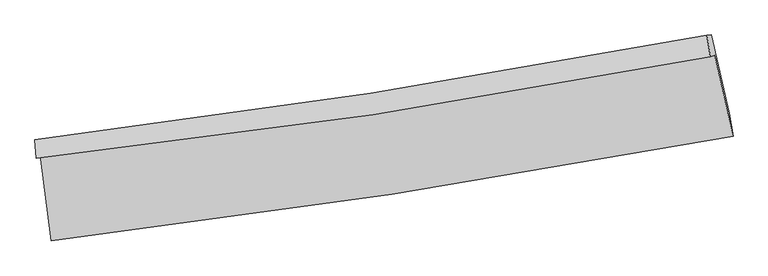
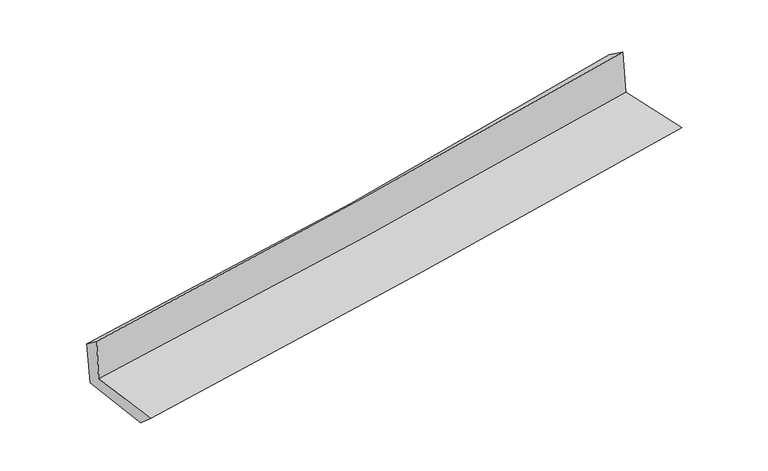
"""IFC4 building model written with IfcOpenShell, lengths in millimetres: proxy geometry."""

from ifc_helpers import new_model, si_unit, frame, origin, place, context, project, spatial, source, transform, mapped, element, save
from ifc_brep_helpers import plane_surface, spline_curve, spline_surface, advanced_brep


def generic_models_05300eee(model_context):
    return source(origin(), model_context, "Body", "AdvancedBrep", [
        advanced_brep(
        [(-2722.9471667, -1883.5995654, 1655.9656143), (-2631.4077742, -2567.4783009, 1643.7294745), (2817.8323893, -1732.5038162, 2111.4154879), (2670.7031306, -1083.8185875, 2117.7875864), (-2753.8005761, -1906.8499101, 2050.1345545), (2635.8335638, -1098.01472, 2536.974321), (-2763.8407608, -1760.8895339, 1942.4164462), (2607.7681231, -923.8812873, 2412.8517923), (-2729.6387125, -1759.9801444, 1543.6861476), (2642.7987677, -922.6936228, 2024.2456815), (-2639.4206038, -2424.5263703, 1517.0834608), (2785.8327829, -1547.6124189, 2003.8475713)],
        [
            (0, 1),
            (1, 2, spline_curve(3, [(-2631.4077742, -2567.4783009, 1643.7294745), (-1724.163228204, -2458.949007056, 1735.292751997), (-817.965591488, -2335.38869094, 1819.940184179), (998.462015755, -2057.268014267, 1975.929452861), (1908.677766581, -1902.50350194, 2047.177358574), (2817.8323893, -1732.5038162, 2111.4154879)], [4, 2, 4], [0.0, 8.997740091261232, 18.056377797435022])),
            (2, 3),
            (3, 0, spline_curve(3, [(2670.7031306, -1083.8185875, 2117.7875864), (1772.752697818, -1252.463104663, 2054.638918898), (872.783937069, -1403.599709691, 1984.425878654), (-925.126541163, -1669.958762807, 1830.390558626), (-1823.041212614, -1785.415817027, 1746.662941493), (-2722.9471667, -1883.5995654, 1655.9656143)], [4, 2, 4], [0.0, 9.05863770617379, 18.056377797435022])),
            (4, 0),
            (3, 5),
            (5, 4, spline_curve(3, [(2635.8335638, -1098.01472, 2536.974321), (1739.261937507, -1271.722849428, 2470.561093861), (840.31719565, -1426.142337022, 2396.622376772), (-956.259317126, -1695.495599294, 2234.241612664), (-1853.859289002, -1810.687841398, 2145.900408082), (-2753.8005761, -1906.8499101, 2050.1345545)], [4, 2, 4], [0.0, 9.008996518238787, 17.957429139508562])),
            (6, 4),
            (5, 7),
            (7, 6, spline_curve(3, [(2607.7681231, -923.8812873, 2412.8517923), (1715.723741063, -1094.072401036, 2324.95353768), (820.547240865, -1249.102929836, 2241.684808721), (-970.031024256, -1527.902526619, 2084.935062534), (-1865.390818626, -1651.874746895, 2011.392009341), (-2763.8407608, -1760.8895339, 1942.4164462)], [4, 2, 4], [0.0, 8.995737565065534, 17.931000367825643])),
            (8, 6),
            (7, 9),
            (9, 8, spline_curve(3, [(2642.7987677, -922.6936228, 2024.2456815), (1750.290236442, -1092.958876311, 1937.997890234), (854.812928383, -1248.04969594, 1854.702227215), (-936.039346637, -1526.9418657, 1694.555274187), (-1831.374531912, -1650.9465532, 1617.664426178), (-2729.6387125, -1759.9801444, 1543.6861476)], [4, 2, 4], [0.0, 8.984558993159032, 17.908718373101202])),
            (10, 8),
            (9, 11),
            (11, 10, spline_curve(3, [(2785.8327829, -1547.6124189, 2003.8475713), (1884.200961163, -1728.449392888, 1916.338688809), (979.746328958, -1892.132844018, 1831.894064949), (-828.709292509, -2184.207637014, 1669.680422646), (-1732.672455752, -2312.828836564, 1591.870342853), (-2639.4206038, -2424.5263703, 1517.0834608)], [4, 2, 4], [0.0, 9.034411511600945, 18.008088271350616])),
            (1, 10),
            (11, 2),
        ],
        [
            spline_surface(3, 3, [[(-2722.9471667, -1883.5995654, 1655.9656143), (-1823.041212592, -1785.415817078, 1746.662941423), (-925.126541084, -1669.958762786, 1830.390558611), (872.783936989, -1403.599709712, 1984.425878669), (1772.752697871, -1252.463104662, 2054.638918795), (2670.7031306, -1083.8185875, 2117.7875864)], [(-2692.434035851, -2111.559143907, 1651.886901035), (-1790.081884441, -2009.926880402, 1742.872878264), (-889.406224505, -1891.768738853, 1826.90710041), (914.676629868, -1621.489144554, 1981.593736747), (1818.061054116, -1469.143237109, 2052.151732056), (2719.746216834, -1300.046997052, 2115.66355356)], [(-2661.920905049, -2339.518722393, 1647.808187765), (-1757.122556339, -2234.437943704, 1739.082815099), (-853.685907932, -2113.57871491, 1823.423642274), (956.56932274, -1839.378579387, 1978.76159489), (1863.369410358, -1685.823369601, 2049.664545338), (2768.789303066, -1516.275406648, 2113.53952074)], [(-2631.4077742, -2567.4783009, 1643.7294745), (-1724.163228188, -2458.949007028, 1735.292751939), (-817.965591352, -2335.388690978, 1819.940184073), (998.462015618, -2057.268014229, 1975.929452967), (1908.677766603, -1902.503502048, 2047.177358598), (2817.8323893, -1732.5038162, 2111.4154879)]], [4, 4], [4, 2, 4], [0.0, 2.1974537846396127], [0.0, 8.997740091261232, 18.056377797435022]),
            spline_surface(3, 3, [[(-2753.8005761, -1906.8499101, 2050.1345545), (-1853.859288855, -1810.687841359, 2145.900407997), (-956.259317265, -1695.495599177, 2234.241612809), (840.317195789, -1426.14233714, 2396.622376627), (1739.261937533, -1271.722849286, 2470.561093975), (2635.8335638, -1098.01472, 2536.974321)], [(-2743.516106313, -1899.099795201, 1918.744907765), (-1843.586596781, -1802.263833266, 2012.821252471), (-945.88172521, -1686.983320369, 2099.624594753), (851.139442851, -1418.628127986, 2259.223543985), (1750.425524339, -1265.302934432, 2331.920368937), (2647.456752759, -1093.282675854, 2397.245409488)], [(-2733.231636487, -1891.349680299, 1787.355261035), (-1833.313904667, -1793.839825171, 1879.74209695), (-935.504133139, -1678.471041594, 1965.007576666), (861.961689928, -1411.113918866, 2121.824711312), (1761.589111066, -1258.883019517, 2193.279643834), (2659.079941641, -1088.550631646, 2257.516497912)], [(-2722.9471667, -1883.5995654, 1655.9656143), (-1823.041212592, -1785.415817078, 1746.662941423), (-925.126541084, -1669.958762786, 1830.390558611), (872.783936989, -1403.599709712, 1984.425878669), (1772.752697871, -1252.463104662, 2054.638918795), (2670.7031306, -1083.8185875, 2117.7875864)]], [4, 4], [4, 2, 4], [0.0, 1.3451255136644418], [0.0, 8.948432621269776, 17.957429139508562]),
            spline_surface(3, 3, [[(-2763.8407608, -1760.8895339, 1942.4164462), (-1865.390818712, -1651.874746898, 2011.392009282), (-970.031024228, -1527.902526671, 2084.935062457), (820.547240837, -1249.102929783, 2241.684808798), (1715.72374095, -1094.072401185, 2324.953537655), (2607.7681231, -923.8812873, 2412.8517923)], [(-2760.494032554, -1809.542992615, 1978.322482276), (-1861.546975414, -1704.812445034, 2056.228142163), (-965.440455231, -1583.766884167, 2134.703912582), (827.13722583, -1308.116065562, 2293.330664749), (1723.569806455, -1153.289217223, 2373.48938974), (2617.123269977, -981.925764871, 2454.225968512)], [(-2757.147304346, -1858.196451385, 2014.228518424), (-1857.703132153, -1757.750143223, 2101.064275116), (-960.849886262, -1639.631241682, 2184.472762683), (833.727210796, -1367.129201361, 2344.976520676), (1731.415872029, -1212.506033248, 2422.02524189), (2626.478416923, -1039.970242429, 2495.600144788)], [(-2753.8005761, -1906.8499101, 2050.1345545), (-1853.859288855, -1810.687841359, 2145.900407997), (-956.259317265, -1695.495599177, 2234.241612809), (840.317195789, -1426.14233714, 2396.622376627), (1739.261937533, -1271.722849286, 2470.561093975), (2635.8335638, -1098.01472, 2536.974321)]], [4, 4], [4, 2, 4], [0.0, 0.7562498465499145], [0.0, 8.935262802760109, 17.931000367825643]),
            spline_surface(3, 3, [[(-2729.6387125, -1759.9801444, 1543.6861476), (-1831.37453191, -1650.946553138, 1617.664426196), (-936.039346645, -1526.941865637, 1694.555274315), (854.81292839, -1248.049696003, 1854.702227086), (1750.29023654, -1092.958876313, 1937.997890231), (2642.7987677, -922.6936228, 2024.2456815)], [(-2741.039395282, -1760.28327424, 1676.596247149), (-1842.713294193, -1651.255951065, 1748.906953906), (-947.369905831, -1527.262085985, 1824.681870366), (843.391032547, -1248.400773933, 1983.696420994), (1738.768071353, -1093.330051261, 2066.983106037), (2631.121886176, -923.089510957, 2153.781051764)], [(-2752.440078018, -1760.58640406, 1809.506346651), (-1854.052056429, -1651.565348971, 1880.149481571), (-958.700465041, -1527.582306323, 1954.808466406), (831.96913668, -1248.751851853, 2112.690614891), (1727.245906137, -1093.701226237, 2195.968321849), (2619.445004624, -923.485399143, 2283.316422036)], [(-2763.8407608, -1760.8895339, 1942.4164462), (-1865.390818712, -1651.874746898, 2011.392009282), (-970.031024228, -1527.902526671, 2084.935062457), (820.547240837, -1249.102929783, 2241.684808798), (1715.72374095, -1094.072401185, 2324.953537655), (2607.7681231, -923.8812873, 2412.8517923)]], [4, 4], [4, 2, 4], [0.0, 1.2800744431202264], [0.0, 8.92415937994217, 17.908718373101202]),
            spline_surface(3, 3, [[(-2639.4206038, -2424.5263703, 1517.0834608), (-1732.672455604, -2312.828836548, 1591.87034289), (-828.709292414, -2184.207637051, 1669.680422604), (979.746328863, -1892.132843981, 1831.894064992), (1884.200961205, -1728.449392996, 1916.338688804), (2785.8327829, -1547.6124189, 2003.8475713)], [(-2669.493306693, -2203.010961664, 1525.951023061), (-1765.573147699, -2092.201408742, 1600.468370653), (-864.485977155, -1965.119046595, 1677.972039832), (938.101862042, -1677.438461337, 1839.496785682), (1839.564052965, -1516.619220753, 1923.558422639), (2738.154777815, -1339.306153518, 2010.646941392)], [(-2699.566009607, -1981.495553036, 1534.818585339), (-1798.473839815, -1871.573980944, 1609.066398433), (-900.262661904, -1746.030456093, 1686.263657086), (896.457395211, -1462.744078647, 1847.099506397), (1794.92714478, -1304.789048555, 1930.778156396), (2690.476772785, -1130.999888182, 2017.446311408)], [(-2729.6387125, -1759.9801444, 1543.6861476), (-1831.37453191, -1650.946553138, 1617.664426196), (-936.039346645, -1526.941865637, 1694.555274315), (854.81292839, -1248.049696003, 1854.702227086), (1750.29023654, -1092.958876313, 1937.997890231), (2642.7987677, -922.6936228, 2024.2456815)]], [4, 4], [4, 2, 4], [0.0, 2.169793246099886], [0.0, 8.97367675974967, 18.008088271350616]),
            spline_surface(3, 3, [[(-2631.4077742, -2567.4783009, 1643.7294745), (-1724.163228188, -2458.949007028, 1735.292751939), (-817.965591352, -2335.388690978, 1819.940184073), (998.462015618, -2057.268014229, 1975.929452967), (1908.677766603, -1902.503502048, 2047.177358598), (2817.8323893, -1732.5038162, 2111.4154879)], [(-2634.078717406, -2519.827657372, 1601.514136614), (-1726.999637333, -2410.24228354, 1687.48528227), (-821.546825057, -2284.995006331, 1769.853596925), (992.223453349, -2002.222957475, 1927.917656983), (1900.518831474, -1844.485465712, 2003.56446865), (2807.165853837, -1670.873350448, 2075.559515684)], [(-2636.749660594, -2472.177013828, 1559.298798686), (-1729.836046459, -2361.535560036, 1639.677812559), (-825.128058709, -2234.601321697, 1719.767009753), (985.984891132, -1947.177900735, 1879.905860976), (1892.359896333, -1786.467429332, 1959.951578752), (2796.499318363, -1609.242884652, 2039.703543516)], [(-2639.4206038, -2424.5263703, 1517.0834608), (-1732.672455604, -2312.828836548, 1591.87034289), (-828.709292414, -2184.207637051, 1669.680422604), (979.746328863, -1892.132843981, 1831.894064992), (1884.200961205, -1728.449392996, 1916.338688804), (2785.8327829, -1547.6124189, 2003.8475713)]], [4, 4], [4, 2, 4], [0.0, 0.7104574280548577], [0.0, 9.034173144416823, 18.12949048633457]),
            plane_surface(frame((2693.4614596, -1218.0874088, 2201.1870734), z_axis=(0.97161110922755, 0.21950560819101417, 0.0882561068612433), x_axis=(-0.08977989280475508, -0.003043860319665463, 0.9959569798752962))),
            plane_surface(frame((-2706.842599, -2050.5539708, 1725.5026163), z_axis=(-0.9877698889598093, -0.1306948965141148, -0.08502641054102511), x_axis=(-0.13264916671657243, 0.991004439475284, 0.017731314380982206))),
        ],
        [
            (0, [[1, 2, 3, 4]]),
            (1, [[5, -4, 6, 7]]),
            (2, [[8, -7, 9, 10]]),
            (3, [[11, -10, 12, 13]]),
            (4, [[14, -13, 15, 16]]),
            (5, [[17, -16, 18, -2]]),
            (6, [[-12, -9, -6, -3, -18, -15]]),
            (7, [[-1, -5, -8, -11, -14, -17]]),
        ],
    ),
    ])


if __name__ == "__main__":
    model = new_model("IFC4")
    model_context = context("Model", 3, world=origin())
    ifc_project = project(units=[si_unit("LENGTHUNIT", "METRE", prefix="MILLI")], contexts=[model_context])
    site = spatial("IfcSite", under=ifc_project)
    building = spatial("IfcBuilding", under=site)
    placement = place(None, origin())
    generic_models_shape = generic_models_05300eee(model_context)
    element("IfcBuildingElementProxy", 1, Name="Generic Models", at=placement, inside=building, context=model_context, shape_type="MappedRepresentation", body=[
        mapped(generic_models_shape, transform((0.0, 0.0, 0.0), x_axis=(1.0, 0.0, 0.0), y_axis=(0.0, 1.0, 0.0), z_axis=(0.0, 0.0, 1.0))),
    ])
    save(model, "model.ifc")
